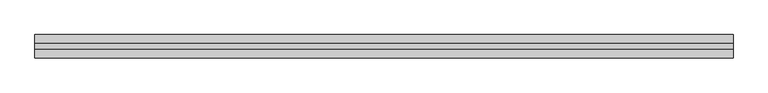
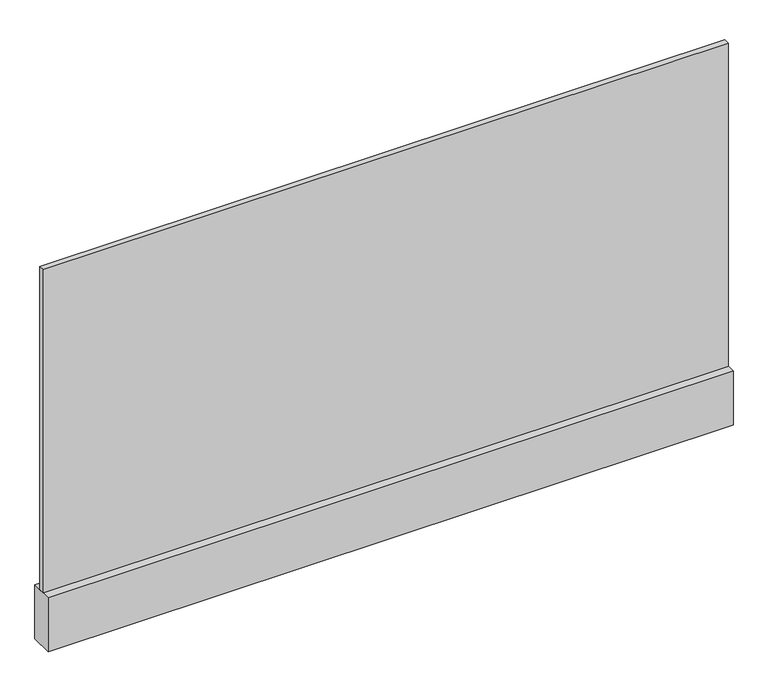
"""IFC4 building model written with IfcOpenShell, lengths in millimetres: plate geometry."""

import ifcopenshell
import ifcopenshell.guid

model = None  # the IFC model being written
_history = None  # IfcOwnerHistory: only IFC2X3 demands one
_inside = {}  # id of a spatial element -> (the spatial element, [elements in it])
_under = {}  # id of a project, library or spatial element -> (it, [spatial elements below it])
_declared = {}  # id of a project -> (the project, [libraries it declares])
_typed = {}  # id of a type object -> (the type object, [elements of that type])
_made_of = {}  # id of a material, layer set ... -> (it, [elements and type objects made of it])


def new_model(schema):
    """Start an empty IFC model of exactly this schema.

    Asked for "IFC4X3", IfcOpenShell would pick the latest addendum, in which some entities
    have other attributes; the version numbers below select the first issue.
    IFC2X3 requires an IfcOwnerHistory on every rooted entity: one is made here for all.
    """
    global model, _history
    if schema == "IFC4X3":
        model = ifcopenshell.file(schema_version=(4, 3, 0, 0))
    else:
        model = ifcopenshell.file(schema=schema)
    _inside.clear()
    _under.clear()
    _declared.clear()
    _typed.clear()
    _made_of.clear()
    _history = None
    if model.schema == "IFC2X3":
        org = make("IfcOrganization", Name="unknown")
        user = make(
            "IfcPersonAndOrganization",
            ThePerson=make("IfcPerson", FamilyName="unknown"),
            TheOrganization=org,
        )
        app = make(
            "IfcApplication",
            ApplicationDeveloper=org,
            Version="unknown",
            ApplicationFullName="unknown",
            ApplicationIdentifier="unknown",
        )
        _history = make(
            "IfcOwnerHistory",
            OwningUser=user,
            OwningApplication=app,
            ChangeAction="ADDED",
            CreationDate=0,
        )
    return model


def make(cls, **values):
    """One entity of the class cls with the attributes given. An attribute that is None is left unset."""
    return model.create_entity(
        cls, **{name: value for name, value in values.items() if value is not None}
    )


def rooted(cls, **values):
    """An entity with a GlobalId (a new one), such as an element, a storey or a relation."""
    return make(cls, GlobalId=ifcopenshell.guid.new(), OwnerHistory=_history, **values)


def si_unit(unit_type, name, prefix=None):
    """IfcSIUnit, for example si_unit("LENGTHUNIT", "METRE", prefix="MILLI")."""
    return make("IfcSIUnit", UnitType=unit_type, Prefix=prefix, Name=name)


def assignment(units):
    """IfcUnitAssignment: the units of a project."""
    return None if units is None else make("IfcUnitAssignment", Units=units)


def point(xyz):
    """IfcCartesianPoint."""
    return None if xyz is None else make("IfcCartesianPoint", Coordinates=xyz)


def direction(xyz):
    """IfcDirection."""
    return None if xyz is None else make("IfcDirection", DirectionRatios=xyz)


def frame(location, z_axis=None, x_axis=None):
    """IfcAxis2Placement3D, a coordinate frame: its origin and axes. An axis left out is left unset."""
    return make(
        "IfcAxis2Placement3D",
        Location=point(location),
        Axis=direction(z_axis),
        RefDirection=direction(x_axis),
    )


def origin():
    """The frame at (0, 0, 0) with its axes left unset."""
    return frame((0.0, 0.0, 0.0))


def origin_with_axes():
    """The frame at (0, 0, 0) with the z axis (0, 0, 1) and the x axis (1, 0, 0) written out."""
    return frame((0.0, 0.0, 0.0), z_axis=(0.0, 0.0, 1.0), x_axis=(1.0, 0.0, 0.0))


def place(relative_to, where):
    """IfcLocalPlacement: puts the frame where relative to a parent placement (None: the world)."""
    return make(
        "IfcLocalPlacement", PlacementRelTo=relative_to, RelativePlacement=where
    )


def context(
    kind, dimensions, precision=None, world=None, true_north=None, identifier=None
):
    """IfcGeometricRepresentationContext, for example the 3D "Model" context."""
    return make(
        "IfcGeometricRepresentationContext",
        ContextIdentifier=identifier,
        ContextType=kind,
        CoordinateSpaceDimension=dimensions,
        Precision=precision,
        WorldCoordinateSystem=world,
        TrueNorth=true_north,
    )


def project(units=None, contexts=None):
    """IfcProject with its units and contexts."""
    return rooted(
        "IfcProject",
        Name="project",
        RepresentationContexts=contexts,
        UnitsInContext=assignment(units),
    )


def spatial(cls, under=None, at=None, **own):
    """A site, building, storey or space (cls), placed at a placement, below another one or the project."""
    s = rooted(cls, ObjectPlacement=at, **own)
    if under is not None:
        _under.setdefault(under.id(), (under, []))[1].append(s)
    return s


def polyline(points):
    """IfcPolyline through the points."""
    return make("IfcPolyline", Points=[point(p) for p in points])


def outline(outer, holes=None, kind="AREA"):
    """IfcArbitraryClosedProfileDef: a profile drawn as a closed curve; with holes, ...WithVoids."""
    if holes is None:
        return make("IfcArbitraryClosedProfileDef", ProfileType=kind, OuterCurve=outer)
    return make(
        "IfcArbitraryProfileDefWithVoids",
        ProfileType=kind,
        OuterCurve=outer,
        InnerCurves=holes,
    )


def extrude(swept, where, along, depth):
    """IfcExtrudedAreaSolid: the profile swept, set in the frame where, extruded along a direction by depth."""
    return make(
        "IfcExtrudedAreaSolid",
        SweptArea=swept,
        Position=where,
        ExtrudedDirection=direction(along),
        Depth=depth,
    )


def shape(context_of_items, identifier, shape_type, items):
    """IfcShapeRepresentation: the items that make up one representation, for example the "Body"."""
    return make(
        "IfcShapeRepresentation",
        ContextOfItems=context_of_items,
        RepresentationIdentifier=identifier,
        RepresentationType=shape_type,
        Items=items,
    )


def source(mapping_origin, context_of_items, identifier, shape_type, items):
    """IfcRepresentationMap: a shape defined once, which mapped items show again and again."""
    return make(
        "IfcRepresentationMap",
        MappingOrigin=mapping_origin,
        MappedRepresentation=shape(context_of_items, identifier, shape_type, items),
    )


def transform(
    local_origin,
    x_axis=None,
    y_axis=None,
    z_axis=None,
    scale=None,
    scale2=None,
    scale3=None,
    uniform=True,
):
    """IfcCartesianTransformationOperator3D, or its non-uniform kind. x_axis, y_axis, z_axis: its Axis1, 2, 3."""
    if uniform:
        return make(
            "IfcCartesianTransformationOperator3D",
            Axis1=direction(x_axis),
            Axis2=direction(y_axis),
            LocalOrigin=point(local_origin),
            Scale=scale,
            Axis3=direction(z_axis),
        )
    return make(
        "IfcCartesianTransformationOperator3DnonUniform",
        Axis1=direction(x_axis),
        Axis2=direction(y_axis),
        LocalOrigin=point(local_origin),
        Scale=scale,
        Axis3=direction(z_axis),
        Scale2=scale2,
        Scale3=scale3,
    )


def mapped(mapping_source, mapping_target):
    """IfcMappedItem: shows the shape of a source again, moved by a transform."""
    return make(
        "IfcMappedItem", MappingSource=mapping_source, MappingTarget=mapping_target
    )


def made_of(thing, what):
    """Note that an element or type object is made of a material, layer set ...; save() writes the relation."""
    if what is not None:
        _made_of.setdefault(what.id(), (what, []))[1].append(thing)
    return thing


def element(
    cls,
    number,
    at=None,
    inside=None,
    cuts=None,
    type_object=None,
    material=None,
    context=None,
    identifier="Body",
    shape_type=None,
    held_by="IfcProductDefinitionShape",
    body=None,
    shapes=None,
    **own,
):
    """One element of the class cls, such as IfcWall. Its Tag is "e" and its number.

    at: its placement. inside: the storey or other place that contains it. cuts: it is an
    opening in that element (IfcRelVoidsElement). A single representation is given by context,
    identifier, shape_type and body (its items); several are given by shapes. held_by: the class
    of the entity that holds the representations. save() writes the other relations.
    """
    e = rooted(cls, Tag="e%d" % number, ObjectPlacement=at, **own)
    if body is not None:
        shapes = [shape(context, identifier, shape_type, body)]
    if shapes is not None:
        e.Representation = make(held_by, Representations=shapes)
    if inside is not None:
        _inside.setdefault(inside.id(), (inside, []))[1].append(e)
    if cuts is not None:
        rooted(
            "IfcRelVoidsElement", RelatingBuildingElement=cuts, RelatedOpeningElement=e
        )
    if type_object is not None:
        _typed.setdefault(type_object.id(), (type_object, []))[1].append(e)
    return made_of(e, material)


def aggregate(whole, parts):
    """IfcRelAggregates: a whole, such as a stair, and the parts it consists of."""
    return rooted("IfcRelAggregates", RelatingObject=whole, RelatedObjects=parts)


def save(model, path):
    """Write the relations noted so far, then the file.

    IfcRelAggregates (storeys below a building ...), IfcRelContainedInSpatialStructure (elements
    in a storey), IfcRelDefinesByType, IfcRelAssociatesMaterial and IfcRelDeclares: one each for
    every whole, place, type object, material and project.
    """
    for whole, parts in _under.values():
        aggregate(whole, parts)
    for where, things in _inside.values():
        rooted(
            "IfcRelContainedInSpatialStructure",
            RelatedElements=things,
            RelatingStructure=where,
        )
    for kind, things in _typed.values():
        rooted("IfcRelDefinesByType", RelatedObjects=things, RelatingType=kind)
    for what, things in _made_of.values():
        rooted("IfcRelAssociatesMaterial", RelatedObjects=things, RelatingMaterial=what)
    for by, libraries in _declared.values():
        rooted("IfcRelDeclares", RelatingContext=by, RelatedDefinitions=libraries)
    model.write(path)


def plate_46ec0250(model_context):
    return source(origin(), model_context, "Body", "SweptSolid", [
        extrude(outline(polyline([(-600.9309555, -5.0), (-600.9309555, 5.0), (600.9309555, 5.0), (600.9309555, -5.0), (-600.9309555, -5.0)])), frame((0.0, 0.0, 100.0), z_axis=(0.0, 0.0, 1.0), x_axis=(1.0, 0.0, 0.0)), (0.0, 0.0, 1.0), 600.0),
        extrude(outline(polyline([(-600.9309555, -20.0), (-600.9309555, 20.0), (600.9309555, 20.0), (600.9309555, -20.0), (-600.9309555, -20.0)])), origin_with_axes(), (0.0, 0.0, 1.0), 100.0),
    ])


if __name__ == "__main__":
    model = new_model("IFC4")
    model_context = context("Model", 3, world=origin())
    ifc_project = project(units=[si_unit("LENGTHUNIT", "METRE", prefix="MILLI")], contexts=[model_context])
    site = spatial("IfcSite", under=ifc_project)
    building = spatial("IfcBuilding", under=site)
    placement = place(None, origin())
    plate_shape = plate_46ec0250(model_context)
    element("IfcPlate", 1, at=placement, inside=building, context=model_context, shape_type="MappedRepresentation", body=[
        mapped(plate_shape, transform((0.0, 0.0, 0.0), x_axis=(1.0, 0.0, 0.0), y_axis=(0.0, 1.0, 0.0), z_axis=(0.0, 0.0, 1.0))),
    ])
    save(model, "model.ifc")
